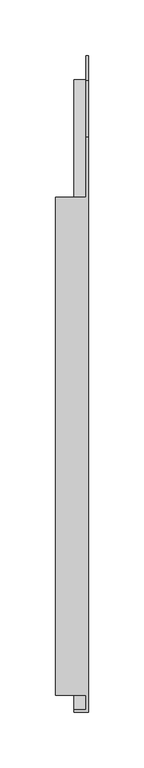
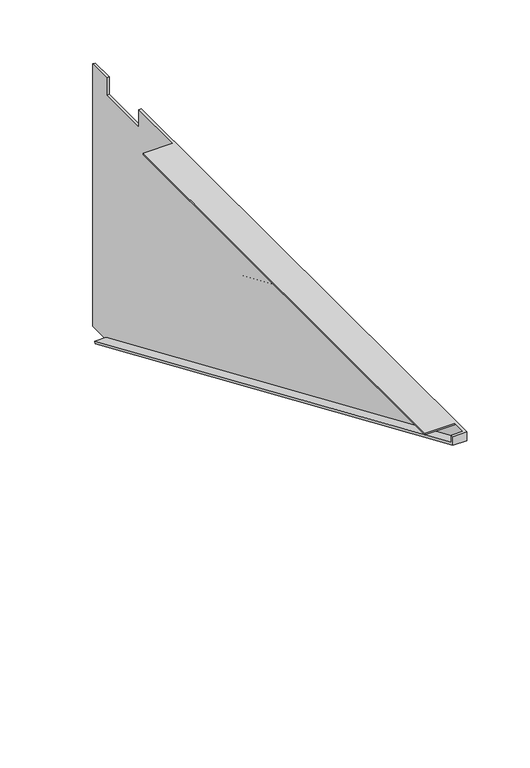
"""IFC4 building model written with IfcOpenShell, lengths in millimetres: furniture geometry."""

from ifc_helpers import new_model, si_unit, origin, place, context, project, spatial, faceted_brep, source, transform, mapped, element, save


def furniture_544237d8(model_context):
    return source(origin(), model_context, "Body", "Brep", [
        faceted_brep([(-23.1179687, 211.9808613, 706.4248), (-23.1179687, -235.0589776, 706.4248), (4.0676512, -235.0589776, 706.4248), (4.0676512, -247.8023206, 706.4248), (-6.35, -247.8023206, 706.4248), (-6.35, -250.0807006, 706.4248), (6.35, -250.0807006, 706.4248), (6.35, 265.9558598, 706.4248), (4.0676512, 265.9558598, 706.4248), (4.0676512, 211.9808613, 706.4248), (-23.1179687, -235.0589776, 704.9008015), (-23.1179687, 211.9808613, 704.9008015), (4.0676512, 211.9808613, 704.9008015), (4.0676512, -235.0589776, 704.9008015), (6.3460312, -250.0807006, 697.8336238), (6.3460312, 316.7558601, 452.4248), (6.3460312, 338.9808594, 452.4248), (6.3460312, 338.9808594, 706.4248), (6.3460312, 316.7558601, 706.4248), (6.3460312, 316.7558601, 689.4583937), (6.3460312, 265.9558598, 689.4583937), (4.0676512, 265.9558598, 689.4583937), (4.0676512, 316.7558601, 689.4583937), (4.0676512, 316.7558601, 706.4248), (4.0676512, 338.9808594, 706.4248), (4.0676512, 338.9808594, 452.4248), (4.0676512, 316.7558601, 452.4248), (4.0676512, 317.6610766, 454.5156368), (4.0676512, -247.8023206, 699.3299569), (-6.35, -247.8023206, 699.3299569), (-6.35, 317.6610766, 454.5156368), (-6.35, -250.0807006, 697.8336238), (-6.35, 316.7558601, 452.4248)], [[[0, 1, 2, 3, 4, 5, 6, 7, 8, 9]], [[10, 11, 12, 13]], [[11, 0, 9, 12]], [[1, 0, 11, 10]], [[1, 10, 13, 2]], [[7, 6, 14, 15, 16, 17, 18, 19, 20]], [[8, 21, 22, 23, 24, 25, 26, 27, 28, 3, 2, 13, 12, 9]], [[21, 8, 7, 20]], [[22, 21, 20, 19]], [[23, 22, 19, 18]], [[24, 23, 18, 17]], [[25, 24, 17, 16]], [[26, 25, 16, 15]], [[29, 28, 27, 30]], [[4, 3, 28, 29]], [[31, 32, 26, 15, 14]], [[6, 5, 31, 14]], [[26, 32, 30, 27]], [[5, 4, 29, 30, 32, 31]]]),
        faceted_brep([(4.0676512, 265.9558598, 706.4248), (4.0676512, 265.9558598, 689.4583937), (4.0676512, 316.7558601, 689.4583937), (4.0676512, 316.7558601, 706.4248), (4.0676512, 338.9808594, 706.4248), (4.0676512, 338.9808594, 452.4248), (4.0676512, 316.7558601, 452.4248), (4.0676512, 317.6610766, 454.5156368), (4.0676512, -247.8023206, 699.3299569), (4.0676512, -247.8023206, 706.4248), (4.0676512, -235.0589776, 706.4248), (4.0676512, -235.0589776, 704.9008015), (4.0676512, 211.9808613, 704.9008015), (4.0676512, 211.9808613, 706.4248), (4.0676512, 316.7558601, 501.1373491), (4.0676512, -118.2213816, 689.4583937), (4.0676512, -146.382029, 689.4583937), (4.0676512, 316.7558601, 488.9453491), (4.0676512, 316.7558601, 564.6400317), (4.0676512, 28.454853, 689.4583937), (4.0676512, 0.2942056, 689.4583937), (4.0676512, 316.7558601, 552.4480317), (4.0676512, 316.7558601, 628.1427143), (4.0676512, 175.1310876, 689.4583937), (4.0676512, 146.9704402, 689.4583937), (4.0676512, 316.7558601, 615.9507143), (6.35, -250.0807006, 706.4248), (6.35, -250.0807006, 697.8336238), (6.35, 316.7558601, 452.4248), (6.35, 338.9808594, 452.4248), (6.35, 338.9808594, 706.4248), (6.35, 316.7558601, 706.4248), (6.35, 316.7558601, 689.4583937), (6.35, 265.9558598, 689.4583937), (6.35, 265.9558598, 706.4248), (6.35, -118.2213816, 689.4583937), (6.35, 316.7558601, 501.1373491), (6.35, 316.7558601, 488.9453491), (6.35, -146.382029, 689.4583937), (6.35, 28.454853, 689.4583937), (6.35, 316.7558601, 564.6400317), (6.35, 316.7558601, 552.4480317), (6.35, 0.2942056, 689.4583937), (6.35, 175.1310876, 689.4583937), (6.35, 316.7558601, 628.1427143), (6.35, 316.7558601, 615.9507143), (6.35, 146.9704402, 689.4583937), (-6.35, -250.0807006, 697.8336238), (-6.35, 316.7558601, 452.4248), (-23.1179687, 211.9808613, 706.4248), (-23.1179687, -235.0589776, 706.4248), (-6.35, -247.8023206, 706.4248), (-6.35, -250.0807006, 706.4248), (-23.1179687, -235.0589776, 704.9008015), (-23.1179687, 211.9808613, 704.9008015), (-6.35, -247.8023206, 699.3299569), (-6.35, 317.6610766, 454.5156368), (4.8614012, -118.2213816, 689.4583937), (4.8614012, 316.7558601, 501.1373491), (4.8614012, 316.7558601, 488.9453491), (4.8614012, -146.382029, 689.4583937), (4.8614012, 28.454853, 689.4583937), (4.8614012, 316.7558601, 564.6400317), (4.8614012, 316.7558601, 552.4480317), (4.8614012, 0.2942056, 689.4583937), (4.8614012, 175.1310876, 689.4583937), (4.8614012, 316.7558601, 628.1427143), (4.8614012, 316.7558601, 615.9507143), (4.8614012, 146.9704402, 689.4583937), (5.5522812, -118.2213816, 689.4583937), (5.5522812, -146.382029, 689.4583937), (5.5522812, 316.7558601, 488.9453491), (5.5522812, 316.7558601, 501.1373491), (5.5522812, 28.454853, 689.4583937), (5.5522812, 0.2942056, 689.4583937), (5.5522812, 316.7558601, 552.4480317), (5.5522812, 316.7558601, 564.6400317), (5.5522812, 175.1310876, 689.4583937), (5.5522812, 146.9704402, 689.4583937), (5.5522812, 316.7558601, 615.9507143), (5.5522812, 316.7558601, 628.1427143)], [[[0, 1, 2, 3, 4, 5, 6, 7, 8, 9, 10, 11, 12, 13], [14, 15, 16, 17], [18, 19, 20, 21], [22, 23, 24, 25]], [[26, 27, 28, 29, 30, 31, 32, 33, 34], [35, 36, 37, 38], [39, 40, 41, 42], [43, 44, 45, 46]], [[1, 0, 34, 33]], [[2, 1, 33, 32]], [[3, 2, 32, 31]], [[4, 3, 31, 30]], [[5, 4, 30, 29]], [[6, 5, 29, 28]], [[28, 27, 47, 48, 6]], [[34, 0, 13, 49, 50, 10, 9, 51, 52, 26]], [[53, 54, 12, 11]], [[54, 49, 13, 12]], [[54, 53, 50, 49]], [[50, 53, 11, 10]], [[27, 26, 52, 47]], [[55, 8, 7, 56]], [[51, 9, 8, 55]], [[57, 58, 59, 60]], [[61, 62, 63, 64]], [[65, 66, 67, 68]], [[58, 57, 15, 14]], [[59, 58, 14, 17]], [[60, 59, 17, 16]], [[57, 60, 16, 15]], [[62, 61, 19, 18]], [[63, 62, 18, 21]], [[64, 63, 21, 20]], [[61, 64, 20, 19]], [[66, 65, 23, 22]], [[67, 66, 22, 25]], [[68, 67, 25, 24]], [[65, 68, 24, 23]], [[69, 70, 71, 72]], [[73, 74, 75, 76]], [[77, 78, 79, 80]], [[69, 72, 36, 35]], [[72, 71, 37, 36]], [[71, 70, 38, 37]], [[70, 69, 35, 38]], [[73, 76, 40, 39]], [[76, 75, 41, 40]], [[75, 74, 42, 41]], [[74, 73, 39, 42]], [[77, 80, 44, 43]], [[80, 79, 45, 44]], [[79, 78, 46, 45]], [[78, 77, 43, 46]], [[6, 48, 56, 7]], [[52, 51, 55, 56, 48, 47]]]),
    ])


if __name__ == "__main__":
    model = new_model("IFC4")
    model_context = context("Model", 3, world=origin())
    ifc_project = project(units=[si_unit("LENGTHUNIT", "METRE", prefix="MILLI")], contexts=[model_context])
    site = spatial("IfcSite", under=ifc_project)
    building = spatial("IfcBuilding", under=site)
    placement = place(None, origin())
    furniture_shape = furniture_544237d8(model_context)
    element("IfcFurniture", 1, at=placement, inside=building, context=model_context, shape_type="MappedRepresentation", body=[
        mapped(furniture_shape, transform((0.0, 0.0, 0.0), x_axis=(1.0, 0.0, 0.0), y_axis=(0.0, 1.0, 0.0), z_axis=(0.0, 0.0, 1.0))),
    ])
    save(model, "model.ifc")
